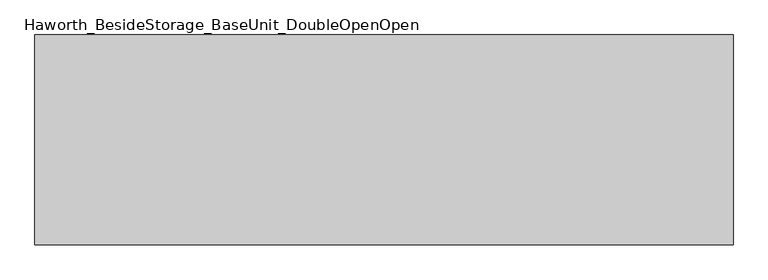
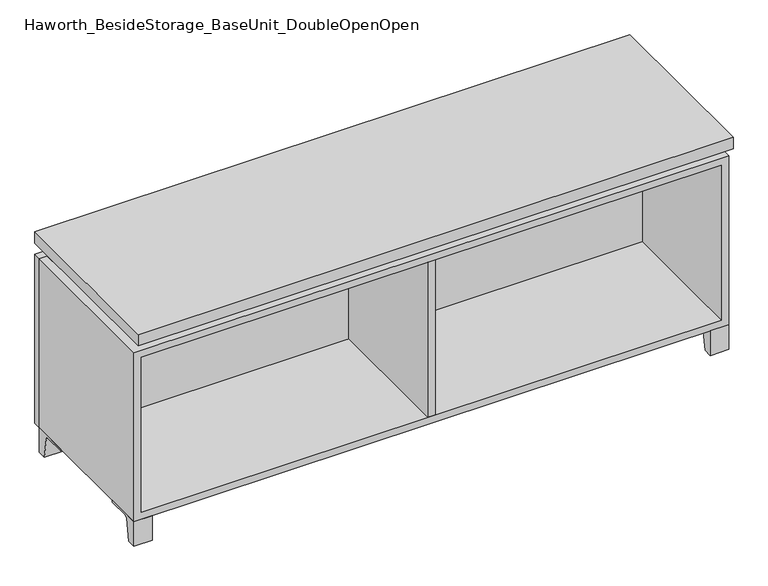
"""IFC4 building model written with IfcOpenShell, lengths in millimetres: furniture geometry, Haworth_BesideStorage_BaseUnit_DoubleOpenOpen."""

from ifc_helpers import new_model, si_unit, point, frame, frame_2d, origin, place, context, project, spatial, polyline, circle_curve, trimmed, segment, composite_curve, outline, extrude, faceted_brep, source, transform, mapped, element, save


def haworth_besidestorage_baseunit_doubleopenopen_1ef76616(model_context):
    return source(origin(), model_context, "Body", "SolidModel", [
        extrude(outline(composite_curve([segment(polyline([(44.9791531, 0.0), (22.225, 0.0), (22.225, 66.675), (117.475, 66.675), (117.475, 61.8963321), (60.6744655, 61.8963321)]), True, "CONTINUOUS"), segment(trimmed(circle_curve(frame_2d((60.6744655, 55.5463321)), 6.35), [point((60.6744655, 61.8963321))], [point((54.4108641, 56.5902656))], True, "CARTESIAN"), True, "CONTINUOUS"), segment(polyline([(54.4108641, 56.5902656), (44.9791531, 0.0)]), True, "CONTINUOUS")], self_intersect=False)), frame((-23.7986094, 0.0, 0.0), z_axis=(1.0, 0.0, 0.0), x_axis=(0.0, 1.0, 0.0)), (0.0, 0.0, 1.0), 47.625),
        extrude(outline(composite_curve([segment(polyline([(-123.2958469, 0.0), (-146.05, 0.0), (-146.05, 66.675), (-50.8, 66.675), (-50.8, 61.8963321), (-107.6005345, 61.8963321)]), True, "CONTINUOUS"), segment(trimmed(circle_curve(frame_2d((-107.6005345, 55.5463321)), 6.35), [point((-107.6005345, 61.8963321))], [point((-113.8641359, 56.5902656))], True, "CARTESIAN"), True, "CONTINUOUS"), segment(polyline([(-113.8641359, 56.5902656), (-123.2958469, 0.0)]), True, "CONTINUOUS")], self_intersect=False)), frame((712.8013906, 0.0, 0.0), z_axis=(1.0, 0.0, 0.0), x_axis=(0.0, 1.0, 0.0)), (0.0, 0.0, 1.0), 47.625),
        extrude(outline(composite_curve([segment(polyline([(250.2958469, 0.0), (240.8641359, 56.5902656)]), True, "CONTINUOUS"), segment(trimmed(circle_curve(frame_2d((234.6005345, 55.5463321)), 6.35), [point((240.8641359, 56.5902656))], [point((234.6005345, 61.8963321))], True, "CARTESIAN"), True, "CONTINUOUS"), segment(polyline([(234.6005345, 61.8963321), (177.8, 61.8963321), (177.8, 66.675), (273.05, 66.675), (273.05, 0.0), (250.2958469, 0.0)]), True, "CONTINUOUS")], self_intersect=False)), frame((712.8013906, 0.0, 0.0), z_axis=(1.0, 0.0, 0.0), x_axis=(0.0, 1.0, 0.0)), (0.0, 0.0, 1.0), 47.625),
        extrude(outline(composite_curve([segment(polyline([(-123.2958469, 0.0), (-146.05, 0.0), (-146.05, 66.675), (-50.8, 66.675), (-50.8, 61.8963321), (-107.6005345, 61.8963321)]), True, "CONTINUOUS"), segment(trimmed(circle_curve(frame_2d((-107.6005345, 55.5463321)), 6.35), [point((-107.6005345, 61.8963321))], [point((-113.8641359, 56.5902656))], True, "CARTESIAN"), True, "CONTINUOUS"), segment(polyline([(-113.8641359, 56.5902656), (-123.2958469, 0.0)]), True, "CONTINUOUS")], self_intersect=False)), frame((-760.3986094, 0.0, 0.0), z_axis=(1.0, 0.0, 0.0), x_axis=(0.0, 1.0, 0.0)), (0.0, 0.0, 1.0), 47.625),
        extrude(outline(composite_curve([segment(polyline([(250.2958469, 0.0), (240.8641359, 56.5902656)]), True, "CONTINUOUS"), segment(trimmed(circle_curve(frame_2d((234.6005345, 55.5463321)), 6.35), [point((240.8641359, 56.5902656))], [point((234.6005345, 61.8963321))], True, "CARTESIAN"), True, "CONTINUOUS"), segment(polyline([(234.6005345, 61.8963321), (177.8, 61.8963321), (177.8, 66.675), (273.05, 66.675), (273.05, 0.0), (250.2958469, 0.0)]), True, "CONTINUOUS")], self_intersect=False)), frame((-760.3986094, 0.0, 0.0), z_axis=(1.0, 0.0, 0.0), x_axis=(0.0, 1.0, 0.0)), (0.0, 0.0, 1.0), 47.625),
        faceted_brep([(-760.3986094, -146.05, 66.675), (760.4125, -146.05, 66.675), (760.4125, -146.05, 523.875), (-760.3986094, -146.05, 523.875), (-741.3486094, -146.05, 85.725), (-741.3486094, -146.05, 504.825), (741.3694453, -146.05, 504.825), (741.3486094, -146.05, 85.725), (-760.3986094, 273.05, 66.675), (-760.3986094, 273.05, 523.875), (-741.3486094, 273.05, 523.875), (-741.3486094, 273.05, 85.725), (741.3486094, 273.05, 85.725), (741.3486094, 273.05, 523.875), (760.4125, 273.05, 523.875), (760.4125, 273.05, 66.675), (741.3486094, 247.65, 523.875), (-741.3416641, 247.65, 523.875), (-741.3486094, 247.65, 504.825), (741.3486094, 247.65, 504.825)], [[[0, 1, 2, 3], [4, 5, 6, 7]], [[8, 9, 10, 11, 12, 13, 14, 15]], [[1, 0, 8, 15]], [[2, 1, 15, 14]], [[3, 2, 14, 13, 16, 17, 10, 9]], [[0, 3, 9, 8]], [[11, 10, 17, 18, 5, 4]], [[13, 12, 7, 6, 19, 16]], [[4, 7, 12, 11]], [[6, 5, 18, 19]], [[17, 16, 19, 18]]]),
        extrude(outline(polyline([(760.4263906, -165.1), (-760.3986094, -165.1), (-760.3986094, 292.1), (760.4263906, 292.1), (760.4263906, -165.1)])), frame((0.0, 0.0, 554.0375), z_axis=(0.0, 0.0, 1.0), x_axis=(1.0, 0.0, 0.0)), (0.0, 0.0, 1.0), 30.1625),
        faceted_brep([(7.9513906, -69.85, 554.0375), (7.9513906, -69.85, 523.875), (7.9513906, 53.975, 523.875), (7.9513906, 53.975, 554.0375), (7.9513906, 196.85, 523.875), (7.9513906, 196.85, 554.0375), (7.9513906, 73.025, 554.0375), (7.9513906, 73.025, 523.875), (-7.9236094, 196.85, 554.0375), (-7.9236094, 196.85, 523.875), (-7.9236094, 73.025, 523.875), (-7.9236094, 73.025, 554.0375), (-7.9236094, -69.85, 523.875), (-7.9236094, -69.85, 554.0375), (-7.9236094, 53.975, 554.0375), (-7.9236094, 53.975, 523.875), (-719.0958281, 73.025, 554.0375), (-719.1166641, 247.65, 554.0375), (-734.9916641, 247.65, 554.0375), (-734.9916641, -120.65, 554.0375), (-719.1166641, -120.65, 554.0375), (-719.1166641, 53.975, 554.0375), (719.1236094, 53.975, 554.0375), (719.1236094, -120.65, 554.0375), (734.9986094, -120.65, 554.0375), (734.9986094, 247.65, 554.0375), (719.1236094, 247.65, 554.0375), (719.1236094, 73.025, 554.0375), (-719.0958281, 53.975, 523.875), (-719.1166641, -120.65, 523.875), (-734.9916641, -120.65, 523.875), (-734.9916641, 247.65, 523.875), (-719.1166641, 247.65, 523.875), (-719.1166641, 73.025, 523.875), (719.1236094, 73.025, 523.875), (719.1236094, 247.65, 523.875), (734.9986094, 247.65, 523.875), (734.9986094, -120.65, 523.875), (719.1236094, -120.65, 523.875), (719.1236094, 53.975, 523.875)], [[[0, 1, 2, 3]], [[4, 5, 6, 7]], [[8, 9, 10, 11]], [[12, 13, 14, 15]], [[5, 8, 11, 16, 17, 18, 19, 20, 21, 14, 13, 0, 3, 22, 23, 24, 25, 26, 27, 6]], [[1, 12, 15, 28, 29, 30, 31, 32, 33, 10, 9, 4, 7, 34, 35, 36, 37, 38, 39, 2]], [[5, 4, 9, 8]], [[1, 0, 13, 12]], [[6, 27, 34, 7]], [[22, 3, 2, 39]], [[20, 29, 28, 21]], [[32, 17, 16, 33]], [[18, 31, 30, 19]], [[29, 20, 19, 30]], [[17, 32, 31, 18]], [[26, 35, 34, 27]], [[38, 23, 22, 39]], [[25, 24, 37, 36]], [[23, 38, 37, 24]], [[35, 26, 25, 36]], [[16, 11, 10, 33]], [[14, 21, 28, 15]]]),
        extrude(outline(polyline([(9.5388906, 203.2), (9.5388906, -146.05), (-9.5111094, -146.05), (-9.5111094, 203.2), (9.5388906, 203.2)])), frame((0.0, 0.0, 85.725), z_axis=(0.0, 0.0, 1.0), x_axis=(1.0, 0.0, 0.0)), (0.0, 0.0, 1.0), 419.1),
        extrude(outline(polyline([(760.4263906, 273.05), (-760.3986094, 273.05), (-760.3986094, 292.1), (760.4263906, 292.1), (760.4263906, 273.05)])), frame((0.0, 0.0, 66.675), z_axis=(0.0, 0.0, 1.0), x_axis=(1.0, 0.0, 0.0)), (0.0, 0.0, 1.0), 457.2),
        extrude(outline(polyline([(-741.3416641, 203.2), (-741.3416641, 209.55), (741.3694453, 209.55), (741.3694453, 203.2), (-741.3416641, 203.2)])), frame((0.0, 0.0, 85.725), z_axis=(0.0, 0.0, 1.0), x_axis=(1.0, 0.0, 0.0)), (0.0, 0.0, 1.0), 419.1),
    ])


if __name__ == "__main__":
    model = new_model("IFC4")
    model_context = context("Model", 3, world=origin())
    ifc_project = project(units=[si_unit("LENGTHUNIT", "METRE", prefix="MILLI")], contexts=[model_context])
    site = spatial("IfcSite", under=ifc_project)
    building = spatial("IfcBuilding", under=site)
    placement = place(None, origin())
    haworth_besidestorage_baseunit_doubleopenopen_shape = haworth_besidestorage_baseunit_doubleopenopen_1ef76616(model_context)
    element("IfcFurniture", 1, ObjectType="Haworth_BesideStorage_BaseUnit_DoubleOpenOpen", at=placement, inside=building, context=model_context, shape_type="MappedRepresentation", body=[
        mapped(haworth_besidestorage_baseunit_doubleopenopen_shape, transform((0.0, 0.0, 0.0), x_axis=(1.0, 0.0, 0.0), y_axis=(0.0, 1.0, 0.0), z_axis=(0.0, 0.0, 1.0))),
    ])
    save(model, "model.ifc")
